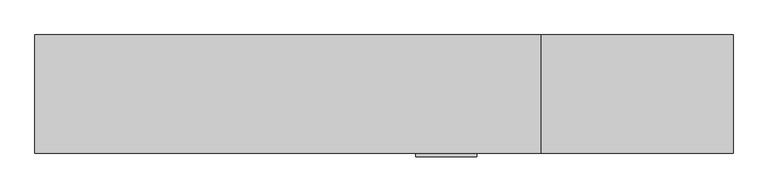
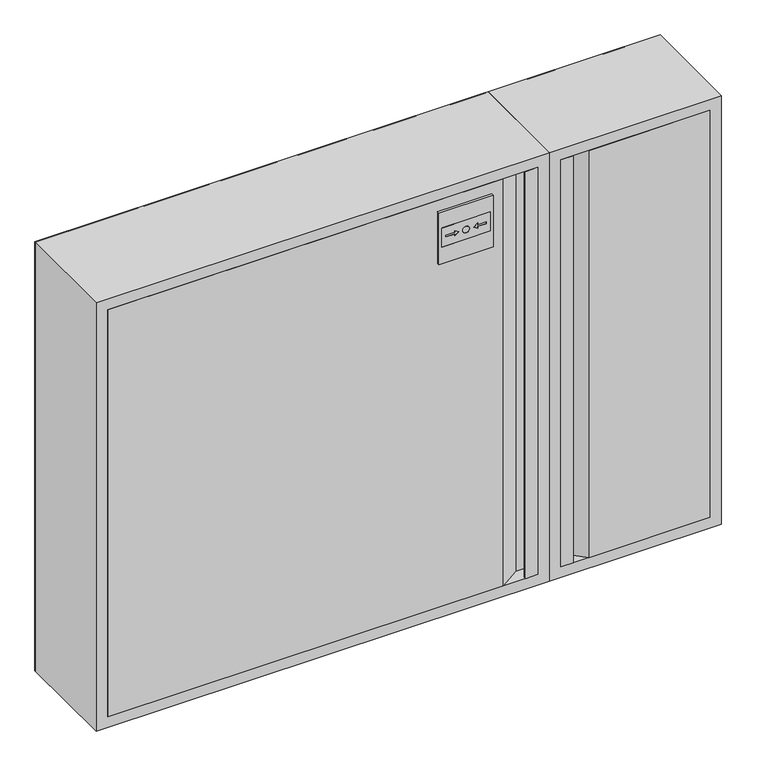
"""IFC4 building model written with IfcOpenShell, lengths in millimetres: fire suppression terminal geometry."""

import ifcopenshell
import ifcopenshell.guid

model = None  # the IFC model being written
_history = None  # IfcOwnerHistory: only IFC2X3 demands one
_inside = {}  # id of a spatial element -> (the spatial element, [elements in it])
_under = {}  # id of a project, library or spatial element -> (it, [spatial elements below it])
_declared = {}  # id of a project -> (the project, [libraries it declares])
_typed = {}  # id of a type object -> (the type object, [elements of that type])
_made_of = {}  # id of a material, layer set ... -> (it, [elements and type objects made of it])


def new_model(schema):
    """Start an empty IFC model of exactly this schema.

    Asked for "IFC4X3", IfcOpenShell would pick the latest addendum, in which some entities
    have other attributes; the version numbers below select the first issue.
    IFC2X3 requires an IfcOwnerHistory on every rooted entity: one is made here for all.
    """
    global model, _history
    if schema == "IFC4X3":
        model = ifcopenshell.file(schema_version=(4, 3, 0, 0))
    else:
        model = ifcopenshell.file(schema=schema)
    _inside.clear()
    _under.clear()
    _declared.clear()
    _typed.clear()
    _made_of.clear()
    _history = None
    if model.schema == "IFC2X3":
        org = make("IfcOrganization", Name="unknown")
        user = make(
            "IfcPersonAndOrganization",
            ThePerson=make("IfcPerson", FamilyName="unknown"),
            TheOrganization=org,
        )
        app = make(
            "IfcApplication",
            ApplicationDeveloper=org,
            Version="unknown",
            ApplicationFullName="unknown",
            ApplicationIdentifier="unknown",
        )
        _history = make(
            "IfcOwnerHistory",
            OwningUser=user,
            OwningApplication=app,
            ChangeAction="ADDED",
            CreationDate=0,
        )
    return model


def make(cls, **values):
    """One entity of the class cls with the attributes given. An attribute that is None is left unset."""
    return model.create_entity(
        cls, **{name: value for name, value in values.items() if value is not None}
    )


def rooted(cls, **values):
    """An entity with a GlobalId (a new one), such as an element, a storey or a relation."""
    return make(cls, GlobalId=ifcopenshell.guid.new(), OwnerHistory=_history, **values)


def si_unit(unit_type, name, prefix=None):
    """IfcSIUnit, for example si_unit("LENGTHUNIT", "METRE", prefix="MILLI")."""
    return make("IfcSIUnit", UnitType=unit_type, Prefix=prefix, Name=name)


def assignment(units):
    """IfcUnitAssignment: the units of a project."""
    return None if units is None else make("IfcUnitAssignment", Units=units)


def point(xyz):
    """IfcCartesianPoint."""
    return None if xyz is None else make("IfcCartesianPoint", Coordinates=xyz)


def direction(xyz):
    """IfcDirection."""
    return None if xyz is None else make("IfcDirection", DirectionRatios=xyz)


def frame(location, z_axis=None, x_axis=None):
    """IfcAxis2Placement3D, a coordinate frame: its origin and axes. An axis left out is left unset."""
    return make(
        "IfcAxis2Placement3D",
        Location=point(location),
        Axis=direction(z_axis),
        RefDirection=direction(x_axis),
    )


def frame_2d(location, x_axis=None):
    """IfcAxis2Placement2D, a coordinate frame in the plane: its origin and x axis."""
    return make(
        "IfcAxis2Placement2D", Location=point(location), RefDirection=direction(x_axis)
    )


def origin():
    """The frame at (0, 0, 0) with its axes left unset."""
    return frame((0.0, 0.0, 0.0))


def place(relative_to, where):
    """IfcLocalPlacement: puts the frame where relative to a parent placement (None: the world)."""
    return make(
        "IfcLocalPlacement", PlacementRelTo=relative_to, RelativePlacement=where
    )


def context(
    kind, dimensions, precision=None, world=None, true_north=None, identifier=None
):
    """IfcGeometricRepresentationContext, for example the 3D "Model" context."""
    return make(
        "IfcGeometricRepresentationContext",
        ContextIdentifier=identifier,
        ContextType=kind,
        CoordinateSpaceDimension=dimensions,
        Precision=precision,
        WorldCoordinateSystem=world,
        TrueNorth=true_north,
    )


def project(units=None, contexts=None):
    """IfcProject with its units and contexts."""
    return rooted(
        "IfcProject",
        Name="project",
        RepresentationContexts=contexts,
        UnitsInContext=assignment(units),
    )


def spatial(cls, under=None, at=None, **own):
    """A site, building, storey or space (cls), placed at a placement, below another one or the project."""
    s = rooted(cls, ObjectPlacement=at, **own)
    if under is not None:
        _under.setdefault(under.id(), (under, []))[1].append(s)
    return s


def polyline(points):
    """IfcPolyline through the points."""
    return make("IfcPolyline", Points=[point(p) for p in points])


def circle_curve(where, radius):
    """IfcCircle in the frame where."""
    return make("IfcCircle", Position=where, Radius=radius)


def trimmed(basis, trim1, trim2, sense, master):
    """IfcTrimmedCurve: the piece of a basis curve between two trims."""
    return make(
        "IfcTrimmedCurve",
        BasisCurve=basis,
        Trim1=trim1,
        Trim2=trim2,
        SenseAgreement=sense,
        MasterRepresentation=master,
    )


def segment(curve, same_sense, transition):
    """IfcCompositeCurveSegment."""
    return make(
        "IfcCompositeCurveSegment",
        Transition=transition,
        SameSense=same_sense,
        ParentCurve=curve,
    )


def composite_curve(segments, self_intersect=None):
    """IfcCompositeCurve: segments joined end to end."""
    return make("IfcCompositeCurve", Segments=segments, SelfIntersect=self_intersect)


def outline(outer, holes=None, kind="AREA"):
    """IfcArbitraryClosedProfileDef: a profile drawn as a closed curve; with holes, ...WithVoids."""
    if holes is None:
        return make("IfcArbitraryClosedProfileDef", ProfileType=kind, OuterCurve=outer)
    return make(
        "IfcArbitraryProfileDefWithVoids",
        ProfileType=kind,
        OuterCurve=outer,
        InnerCurves=holes,
    )


def extrude(swept, where, along, depth):
    """IfcExtrudedAreaSolid: the profile swept, set in the frame where, extruded along a direction by depth."""
    return make(
        "IfcExtrudedAreaSolid",
        SweptArea=swept,
        Position=where,
        ExtrudedDirection=direction(along),
        Depth=depth,
    )


def faces_of(points, faces, orient=None, outer=None):
    """IfcFace entities. A face is a list of loops; a loop is a list of indices into points, from 0.

    orient and outer hold one flag for each loop. By default every Orientation is true, the
    first loop of a face is its IfcFaceOuterBound and the others are IfcFaceBound.
    """
    made = []
    for i, loops in enumerate(faces):
        bounds = []
        for j, loop in enumerate(loops):
            is_outer = j == 0 if outer is None else outer[i][j]
            bounds.append(
                make(
                    "IfcFaceOuterBound" if is_outer else "IfcFaceBound",
                    Bound=make("IfcPolyLoop", Polygon=[points[k] for k in loop]),
                    Orientation=True if orient is None else orient[i][j],
                )
            )
        made.append(make("IfcFace", Bounds=bounds))
    return made


def faceted_brep(points, faces, orient=None, outer=None, voids=None):
    """IfcFacetedBrep: a solid bounded by flat faces; with voids (closed shells), ...WithVoids."""
    shared = [point(p) for p in points]
    hull = make("IfcClosedShell", CfsFaces=faces_of(shared, faces, orient, outer))
    if voids is None:
        return make("IfcFacetedBrep", Outer=hull)
    return make(
        "IfcFacetedBrepWithVoids",
        Outer=hull,
        Voids=[
            make(cls, CfsFaces=faces_of(shared, fs, o, b)) for cls, fs, o, b in voids
        ],
    )


def shape(context_of_items, identifier, shape_type, items):
    """IfcShapeRepresentation: the items that make up one representation, for example the "Body"."""
    return make(
        "IfcShapeRepresentation",
        ContextOfItems=context_of_items,
        RepresentationIdentifier=identifier,
        RepresentationType=shape_type,
        Items=items,
    )


def source(mapping_origin, context_of_items, identifier, shape_type, items):
    """IfcRepresentationMap: a shape defined once, which mapped items show again and again."""
    return make(
        "IfcRepresentationMap",
        MappingOrigin=mapping_origin,
        MappedRepresentation=shape(context_of_items, identifier, shape_type, items),
    )


def transform(
    local_origin,
    x_axis=None,
    y_axis=None,
    z_axis=None,
    scale=None,
    scale2=None,
    scale3=None,
    uniform=True,
):
    """IfcCartesianTransformationOperator3D, or its non-uniform kind. x_axis, y_axis, z_axis: its Axis1, 2, 3."""
    if uniform:
        return make(
            "IfcCartesianTransformationOperator3D",
            Axis1=direction(x_axis),
            Axis2=direction(y_axis),
            LocalOrigin=point(local_origin),
            Scale=scale,
            Axis3=direction(z_axis),
        )
    return make(
        "IfcCartesianTransformationOperator3DnonUniform",
        Axis1=direction(x_axis),
        Axis2=direction(y_axis),
        LocalOrigin=point(local_origin),
        Scale=scale,
        Axis3=direction(z_axis),
        Scale2=scale2,
        Scale3=scale3,
    )


def mapped(mapping_source, mapping_target):
    """IfcMappedItem: shows the shape of a source again, moved by a transform."""
    return make(
        "IfcMappedItem", MappingSource=mapping_source, MappingTarget=mapping_target
    )


def made_of(thing, what):
    """Note that an element or type object is made of a material, layer set ...; save() writes the relation."""
    if what is not None:
        _made_of.setdefault(what.id(), (what, []))[1].append(thing)
    return thing


def element(
    cls,
    number,
    at=None,
    inside=None,
    cuts=None,
    type_object=None,
    material=None,
    context=None,
    identifier="Body",
    shape_type=None,
    held_by="IfcProductDefinitionShape",
    body=None,
    shapes=None,
    **own,
):
    """One element of the class cls, such as IfcWall. Its Tag is "e" and its number.

    at: its placement. inside: the storey or other place that contains it. cuts: it is an
    opening in that element (IfcRelVoidsElement). A single representation is given by context,
    identifier, shape_type and body (its items); several are given by shapes. held_by: the class
    of the entity that holds the representations. save() writes the other relations.
    """
    e = rooted(cls, Tag="e%d" % number, ObjectPlacement=at, **own)
    if body is not None:
        shapes = [shape(context, identifier, shape_type, body)]
    if shapes is not None:
        e.Representation = make(held_by, Representations=shapes)
    if inside is not None:
        _inside.setdefault(inside.id(), (inside, []))[1].append(e)
    if cuts is not None:
        rooted(
            "IfcRelVoidsElement", RelatingBuildingElement=cuts, RelatedOpeningElement=e
        )
    if type_object is not None:
        _typed.setdefault(type_object.id(), (type_object, []))[1].append(e)
    return made_of(e, material)


def aggregate(whole, parts):
    """IfcRelAggregates: a whole, such as a stair, and the parts it consists of."""
    return rooted("IfcRelAggregates", RelatingObject=whole, RelatedObjects=parts)


def save(model, path):
    """Write the relations noted so far, then the file.

    IfcRelAggregates (storeys below a building ...), IfcRelContainedInSpatialStructure (elements
    in a storey), IfcRelDefinesByType, IfcRelAssociatesMaterial and IfcRelDeclares: one each for
    every whole, place, type object, material and project.
    """
    for whole, parts in _under.values():
        aggregate(whole, parts)
    for where, things in _inside.values():
        rooted(
            "IfcRelContainedInSpatialStructure",
            RelatedElements=things,
            RelatingStructure=where,
        )
    for kind, things in _typed.values():
        rooted("IfcRelDefinesByType", RelatedObjects=things, RelatingType=kind)
    for what, things in _made_of.values():
        rooted("IfcRelAssociatesMaterial", RelatedObjects=things, RelatingMaterial=what)
    for by, libraries in _declared.values():
        rooted("IfcRelDeclares", RelatingContext=by, RelatedDefinitions=libraries)
    model.write(path)


def fire_suppression_terminal_1ea9d7cb(model_context):
    return source(origin(), model_context, "Body", "SolidModel", [
        extrude(outline(composite_curve([segment(trimmed(circle_curve(frame_2d((-355.1374166, -354.9676042)), 3.007614), [point((-352.1298027, -354.9676042))], [point((-358.1450306, -354.9676042))], False, "CARTESIAN"), True, "CONTINUOUS"), segment(trimmed(circle_curve(frame_2d((-355.1374166, -354.9676042)), 3.007614), [point((-358.1450306, -354.9676042))], [point((-352.1298027, -354.9676042))], False, "CARTESIAN"), True, "CONTINUOUS")], self_intersect=False)), frame((0.0, 162.0, 0.0), z_axis=(0.0, 1.0, 0.0), x_axis=(0.0, 0.0, 1.0)), (0.0, 0.0, 1.0), 15.0),
        faceted_brep([(437.0, -3.0, -375.0), (415.0, -3.0, -375.0), (415.0, 22.0, -375.0), (675.0, 22.0, -375.0), (675.0, -3.0, -375.0), (463.5, -3.0, -375.0), (440.0, 20.5, -375.0), (416.5, 20.5, -375.0), (416.5, -1.5, -375.0), (435.5, -1.5, -375.0), (435.5, 0.0, -375.0), (437.0, 0.0, -375.0), (437.0, -3.0, 375.0), (437.0, 0.0, 375.0), (435.5, 0.0, 375.0), (435.5, -1.5, 375.0), (416.5, -1.5, 375.0), (416.5, 20.5, 375.0), (440.0, 20.5, 375.0), (463.5, -3.0, 375.0), (675.0, -3.0, 375.0), (675.0, 22.0, 375.0), (415.0, 22.0, 375.0), (415.0, -3.0, 375.0), (673.5, 22.0, -373.5), (673.5, 22.0, 373.5), (444.2068581, 22.0, 373.5), (444.2068581, 22.0, -373.5), (467.7068581, -1.5, -373.5), (673.5, -1.5, -373.5), (673.5, -1.5, 373.5), (467.7068581, -1.5, 373.5)], [[[0, 1, 2, 3, 4, 5, 6, 7, 8, 9, 10, 11]], [[12, 13, 14, 15, 16, 17, 18, 19, 20, 21, 22, 23]], [[0, 12, 23, 1]], [[1, 23, 22, 2]], [[2, 22, 21, 3], [24, 25, 26, 27]], [[3, 21, 20, 4]], [[5, 19, 18, 6]], [[6, 18, 17, 7]], [[7, 17, 16, 8]], [[8, 16, 15, 9]], [[9, 15, 14, 10]], [[10, 14, 13, 11]], [[11, 13, 12, 0]], [[4, 20, 19, 5]], [[24, 27, 28, 29]], [[26, 25, 30, 31]], [[27, 26, 31, 28]], [[29, 30, 25, 24]], [[28, 31, 30, 29]]]),
        extrude(outline(polyline([(353.0, -3.0), (353.0, 0.0), (354.5, 0.0), (354.5, -1.5), (373.5, -1.5), (373.5, 20.5), (350.0, 20.5), (315.0, -3.0), (-375.0, -3.0), (-375.0, 22.0), (-373.5, 22.0), (-373.5, -1.5), (314.5431419, -1.5), (349.5431419, 22.0), (375.0, 22.0), (375.0, -3.0), (353.0, -3.0)])), frame((0.0, 0.0, -375.0), z_axis=(0.0, 0.0, 1.0), x_axis=(1.0, 0.0, 0.0)), (0.0, 0.0, 1.0), 750.0),
        extrude(outline(polyline([(325.9479225, 204.5431419), (290.9479225, 204.5431419), (290.9479225, 289.5431419), (325.9479225, 289.5431419), (325.9479225, 204.5431419)]), holes=[composite_curve([segment(trimmed(circle_curve(frame_2d((308.4479225, 247.0431419)), 6.0), [point((308.4479225, 253.0431419))], [point((308.4479225, 241.0431419))], True, "CARTESIAN"), True, "CONTINUOUS"), segment(trimmed(circle_curve(frame_2d((308.4479225, 247.0431419)), 6.0), [point((308.4479225, 241.0431419))], [point((308.4479225, 253.0431419))], True, "CARTESIAN"), True, "CONTINUOUS")], self_intersect=False), polyline([(313.3991375, 226.9720741), (308.4479225, 234.0431419), (303.4967076, 226.9720741), (306.9479225, 226.9720741), (306.9479225, 211.9720741), (309.9479225, 211.9720741), (309.9479225, 226.9720741), (313.3991375, 226.9720741)]), polyline([(313.3991375, 267.1142097), (309.9479225, 267.1142097), (309.9479225, 282.1142097), (306.9479225, 282.1142097), (306.9479225, 267.1142097), (303.4967076, 267.1142097), (308.4479225, 260.0431419), (313.3991375, 267.1142097)])]), frame((0.0, -8.0, 0.0), z_axis=(0.0, 1.0, 0.0), x_axis=(0.0, 0.0, 1.0)), (0.0, 0.0, 1.0), 5.0),
        extrude(outline(composite_curve([segment(trimmed(circle_curve(frame_2d((308.4479225, 247.0431419)), 6.0), [point((308.4479225, 253.0431419))], [point((308.4479225, 241.0431419))], False, "CARTESIAN"), True, "CONTINUOUS"), segment(trimmed(circle_curve(frame_2d((308.4479225, 247.0431419)), 6.0), [point((308.4479225, 241.0431419))], [point((308.4479225, 253.0431419))], False, "CARTESIAN"), True, "CONTINUOUS")], self_intersect=False)), frame((0.0, -8.0, 0.0), z_axis=(0.0, 1.0, 0.0), x_axis=(0.0, 0.0, 1.0)), (0.0, 0.0, 1.0), 5.0),
        extrude(outline(polyline([(313.3991375, 226.9720741), (309.9479225, 226.9720741), (309.9479225, 211.9720741), (306.9479225, 211.9720741), (306.9479225, 226.9720741), (303.4967076, 226.9720741), (308.4479225, 234.0431419), (313.3991375, 226.9720741)])), frame((0.0, -8.0, 0.0), z_axis=(0.0, 1.0, 0.0), x_axis=(0.0, 0.0, 1.0)), (0.0, 0.0, 1.0), 5.0),
        extrude(outline(polyline([(313.3991375, 267.1142097), (308.4479225, 260.0431419), (303.4967076, 267.1142097), (306.9479225, 267.1142097), (306.9479225, 282.1142097), (309.9479225, 282.1142097), (309.9479225, 267.1142097), (313.3991375, 267.1142097)])), frame((0.0, -8.0, 0.0), z_axis=(0.0, 1.0, 0.0), x_axis=(0.0, 0.0, 1.0)), (0.0, 0.0, 1.0), 5.0),
        extrude(outline(polyline([(355.0, 199.5431419), (260.0, 199.5431419), (260.0, 294.5431419), (355.0, 294.5431419), (355.0, 199.5431419)]), holes=[polyline([(325.9479225, 204.5431419), (325.9479225, 289.5431419), (290.9479225, 289.5431419), (290.9479225, 204.5431419), (325.9479225, 204.5431419)])]), frame((0.0, -8.0, 0.0), z_axis=(0.0, 1.0, 0.0), x_axis=(0.0, 0.0, 1.0)), (0.0, 0.0, 1.0), 5.0),
        faceted_brep([(-375.0, 22.0, 375.0), (-375.0, -3.0, 375.0), (-375.0, -3.0, -375.0), (-375.0, 22.0, -375.0), (-376.5, -1.5, 376.5), (-376.5, 22.0, 376.5), (-376.5, 22.0, -376.5), (-376.5, -1.5, -376.5), (-393.5, 180.5, 393.5), (-393.5, -1.5, 393.5), (-393.5, -1.5, -393.5), (-393.5, 180.5, -393.5), (-375.0, 182.0, 375.0), (-375.0, 180.5, 375.0), (-375.0, 180.5, -375.0), (-375.0, 182.0, -375.0), (-395.0, -3.0, 395.0), (-395.0, 182.0, 395.0), (-395.0, 182.0, -395.0), (-395.0, -3.0, -395.0), (375.0, -3.0, -375.0), (375.0, 22.0, -375.0), (376.5, 22.0, -376.5), (376.5, -1.5, -376.5), (393.5, -1.5, -393.5), (393.5, 180.5, -393.5), (375.0, 180.5, -375.0), (375.0, 182.0, -375.0), (395.0, 182.0, -395.0), (395.0, -3.0, -395.0), (375.0, -3.0, 375.0), (375.0, 22.0, 375.0), (376.5, 22.0, 376.5), (376.5, -1.5, 376.5), (393.5, -1.5, 393.5), (393.5, 180.5, 393.5), (375.0, 180.5, 375.0), (375.0, 182.0, 375.0), (395.0, 182.0, 395.0), (395.0, -3.0, 395.0)], [[[0, 1, 2, 3]], [[4, 5, 6, 7]], [[8, 9, 10, 11]], [[12, 13, 14, 15]], [[16, 17, 18, 19]], [[3, 2, 20, 21]], [[7, 6, 22, 23]], [[11, 10, 24, 25]], [[15, 14, 26, 27]], [[19, 18, 28, 29]], [[21, 20, 30, 31]], [[23, 22, 32, 33]], [[25, 24, 34, 35]], [[27, 26, 36, 37]], [[29, 28, 38, 39]], [[1, 0, 31, 30]], [[6, 5, 32, 22], [0, 3, 21, 31]], [[5, 4, 33, 32]], [[10, 9, 34, 24], [4, 7, 23, 33]], [[9, 8, 35, 34]], [[8, 11, 25, 35], [14, 13, 36, 26]], [[13, 12, 37, 36]], [[18, 17, 38, 28], [12, 15, 27, 37]], [[17, 16, 39, 38]], [[16, 19, 29, 39], [2, 1, 30, 20]]]),
        faceted_brep([(415.0, 22.0, 375.0), (415.0, -3.0, 375.0), (415.0, -3.0, -375.0), (415.0, 22.0, -375.0), (413.5, -1.5, 376.5), (413.5, 22.0, 376.5), (413.5, 22.0, -376.5), (413.5, -1.5, -376.5), (396.5, 180.5, 393.5), (396.5, -1.5, 393.5), (396.5, -1.5, -393.5), (396.5, 180.5, -393.5), (415.0, 182.0, 375.0), (415.0, 180.5, 375.0), (415.0, 180.5, -375.0), (415.0, 182.0, -375.0), (395.0, -3.0, 395.0), (395.0, 182.0, 395.0), (395.0, 182.0, -395.0), (395.0, -3.0, -395.0), (675.0, -3.0, -375.0), (675.0, 22.0, -375.0), (676.5, 22.0, -376.5), (676.5, -1.5, -376.5), (693.5, -1.5, -393.5), (693.5, 180.5, -393.5), (675.0, 180.5, -375.0), (675.0, 182.0, -375.0), (695.0, 182.0, -395.0), (695.0, -3.0, -395.0), (675.0, -3.0, 375.0), (675.0, 22.0, 375.0), (676.5, 22.0, 376.5), (676.5, -1.5, 376.5), (693.5, -1.5, 393.5), (693.5, 180.5, 393.5), (675.0, 180.5, 375.0), (675.0, 182.0, 375.0), (695.0, 182.0, 395.0), (695.0, -3.0, 395.0)], [[[0, 1, 2, 3]], [[4, 5, 6, 7]], [[8, 9, 10, 11]], [[12, 13, 14, 15]], [[16, 17, 18, 19]], [[3, 2, 20, 21]], [[7, 6, 22, 23]], [[11, 10, 24, 25]], [[15, 14, 26, 27]], [[19, 18, 28, 29]], [[21, 20, 30, 31]], [[23, 22, 32, 33]], [[25, 24, 34, 35]], [[27, 26, 36, 37]], [[29, 28, 38, 39]], [[31, 30, 1, 0]], [[5, 32, 22, 6], [3, 21, 31, 0]], [[33, 32, 5, 4]], [[9, 34, 24, 10], [7, 23, 33, 4]], [[35, 34, 9, 8]], [[11, 25, 35, 8], [13, 36, 26, 14]], [[37, 36, 13, 12]], [[17, 38, 28, 18], [15, 27, 37, 12]], [[39, 38, 17, 16]], [[19, 29, 39, 16], [1, 30, 20, 2]]]),
        extrude(outline(polyline([(395.0, 695.0), (395.0, -395.0), (-395.0, -395.0), (-395.0, 695.0), (395.0, 695.0)]), holes=[composite_curve([segment(trimmed(circle_curve(frame_2d((-355.1374166, -354.9676042)), 18.5), [point((-355.1374166, -373.4676042))], [point((-355.1374166, -336.4676042))], True, "CARTESIAN"), True, "CONTINUOUS"), segment(trimmed(circle_curve(frame_2d((-355.1374166, -354.9676042)), 18.5), [point((-355.1374166, -336.4676042))], [point((-355.1374166, -373.4676042))], True, "CARTESIAN"), True, "CONTINUOUS")], self_intersect=False)]), frame((0.0, 180.5, 0.0), z_axis=(0.0, 1.0, 0.0), x_axis=(0.0, 0.0, 1.0)), (0.0, 0.0, 1.0), 1.5),
    ])


if __name__ == "__main__":
    model = new_model("IFC4")
    model_context = context("Model", 3, world=origin())
    ifc_project = project(units=[si_unit("LENGTHUNIT", "METRE", prefix="MILLI")], contexts=[model_context])
    site = spatial("IfcSite", under=ifc_project)
    building = spatial("IfcBuilding", under=site)
    placement = place(None, origin())
    fire_suppression_terminal_shape = fire_suppression_terminal_1ea9d7cb(model_context)
    element("IfcFireSuppressionTerminal", 1, at=placement, inside=building, context=model_context, shape_type="MappedRepresentation", body=[
        mapped(fire_suppression_terminal_shape, transform((0.0, 0.0, 0.0), x_axis=(1.0, 0.0, 0.0), y_axis=(0.0, 1.0, 0.0), z_axis=(0.0, 0.0, 1.0))),
    ])
    save(model, "model.ifc")
